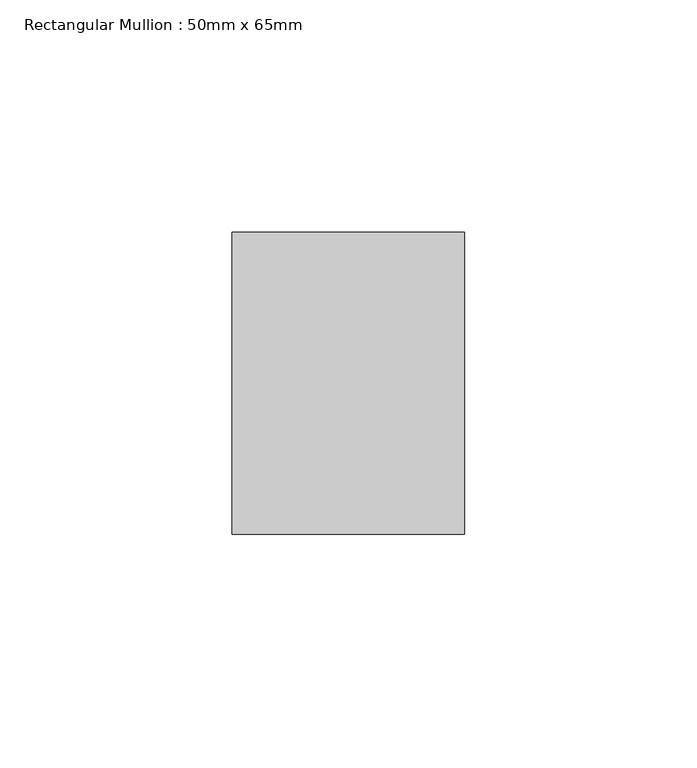
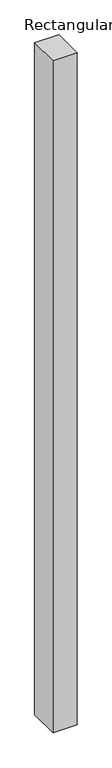
"""IFC4 building model written with IfcOpenShell, lengths in millimetres: member geometry, Rectangular Mullion : 50mm x 65mm."""

from ifc_helpers import new_model, si_unit, frame, origin, place, context, project, spatial, polyline, outline, extrude, source, transform, mapped, element, save


def rectangular_mullion_50mm_x_65mm_d79e42ac(model_context):
    return source(origin(), model_context, "Body", "SweptSolid", [
        extrude(outline(polyline([(25.0, 32.5), (25.0, -32.5), (-25.0, -32.5), (-25.0, 32.5), (25.0, 32.5)])), frame((0.0, 0.0, -1473.7158112), z_axis=(0.0, 0.0, 1.0), x_axis=(1.0, 0.0, 0.0)), (0.0, 0.0, 1.0), 1473.7158112),
    ])


if __name__ == "__main__":
    model = new_model("IFC4")
    model_context = context("Model", 3, world=origin())
    ifc_project = project(units=[si_unit("LENGTHUNIT", "METRE", prefix="MILLI")], contexts=[model_context])
    site = spatial("IfcSite", under=ifc_project)
    building = spatial("IfcBuilding", under=site)
    placement = place(None, origin())
    rectangular_mullion_50mm_x_65mm_shape = rectangular_mullion_50mm_x_65mm_d79e42ac(model_context)
    element("IfcMember", 1, ObjectType="Rectangular Mullion : 50mm x 65mm", at=placement, inside=building, context=model_context, shape_type="MappedRepresentation", body=[
        mapped(rectangular_mullion_50mm_x_65mm_shape, transform((0.0, 0.0, 0.0), x_axis=(1.0, 0.0, 0.0), y_axis=(0.0, 1.0, 0.0), z_axis=(0.0, 0.0, 1.0))),
    ])
    save(model, "model.ifc")
